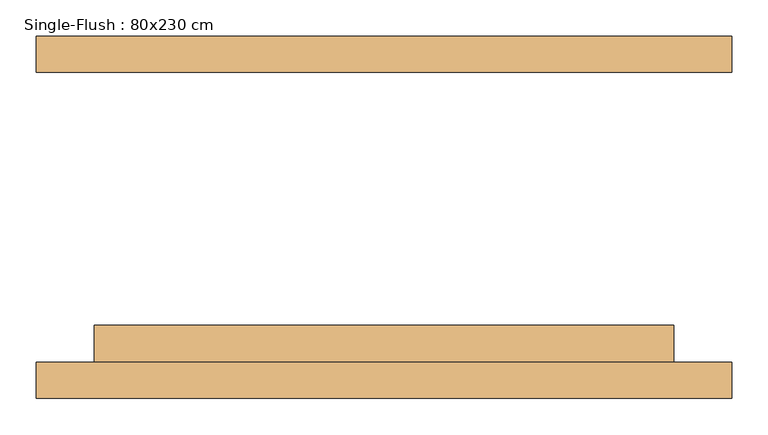
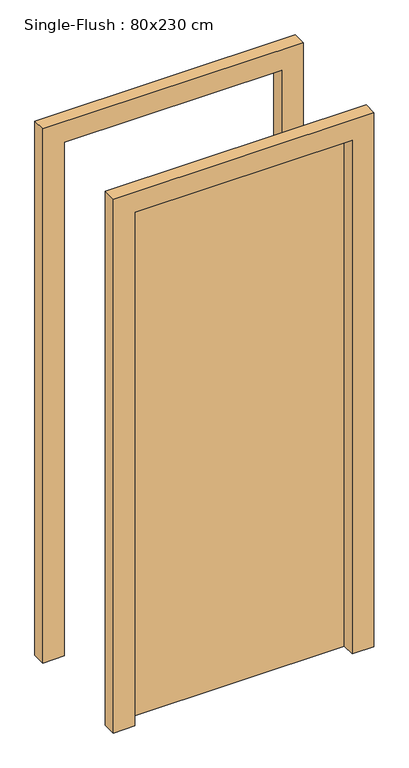
"""IFC4 building model written with IfcOpenShell, lengths in millimetres: door geometry, Single-Flush : 80x230 cm."""

from ifc_helpers import new_model, si_unit, frame, origin, origin_with_axes, place, context, project, spatial, polyline, outline, extrude, source, transform, mapped, element, save


def single_flush_80x230_cm_2fe30066(model_context):
    return source(origin(), model_context, "Body", "SweptSolid", [
        extrude(outline(polyline([(2080.0, -480.0), (0.0, -480.0), (0.0, -400.0), (2000.0, -400.0), (2000.0, 400.0), (0.0, 400.0), (0.0, 480.0), (2080.0, 480.0), (2080.0, -480.0)])), frame((0.0, -250.0, 0.0), z_axis=(0.0, 1.0, 0.0), x_axis=(0.0, 0.0, 1.0)), (0.0, 0.0, 1.0), 50.0),
        extrude(outline(polyline([(2080.0, 480.0), (2080.0, -480.0), (0.0, -480.0), (0.0, -400.0), (2000.0, -400.0), (2000.0, 400.0), (0.0, 400.0), (0.0, 480.0), (2080.0, 480.0)])), frame((0.0, 200.0, 0.0), z_axis=(0.0, 1.0, 0.0), x_axis=(0.0, 0.0, 1.0)), (0.0, 0.0, 1.0), 50.0),
        extrude(outline(polyline([(400.0, -149.2), (400.0, -200.0), (-400.0, -200.0), (-400.0, -149.2), (400.0, -149.2)])), origin_with_axes(), (0.0, 0.0, 1.0), 2000.0),
    ])


if __name__ == "__main__":
    model = new_model("IFC4")
    model_context = context("Model", 3, world=origin())
    ifc_project = project(units=[si_unit("LENGTHUNIT", "METRE", prefix="MILLI")], contexts=[model_context])
    site = spatial("IfcSite", under=ifc_project)
    building = spatial("IfcBuilding", under=site)
    placement = place(None, origin())
    single_flush_80x230_cm_shape = single_flush_80x230_cm_2fe30066(model_context)
    element("IfcDoor", 1, ObjectType="Single-Flush : 80x230 cm", at=placement, inside=building, context=model_context, shape_type="MappedRepresentation", body=[
        mapped(single_flush_80x230_cm_shape, transform((0.0, 0.0, 0.0), x_axis=(1.0, 0.0, 0.0), y_axis=(0.0, 1.0, 0.0), z_axis=(0.0, 0.0, 1.0))),
    ])
    save(model, "model.ifc")
